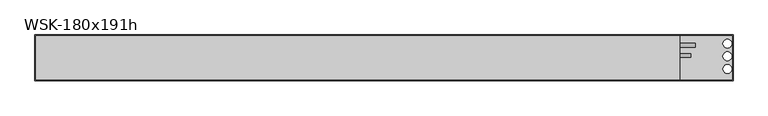
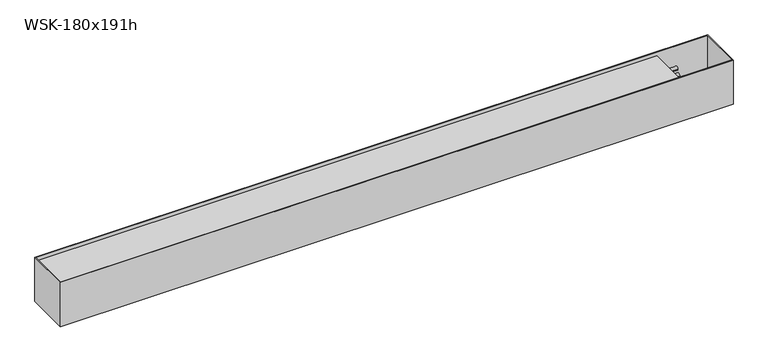
"""IFC4 building model written with IfcOpenShell, lengths in millimetres: proxy geometry, WSK-180x191h."""

from ifc_helpers import new_model, si_unit, point, frame, frame_2d, origin, place, context, project, spatial, polyline, circle_curve, trimmed, segment, composite_curve, outline, extrude, source, transform, mapped, element, save
from ifc_brep_helpers import plane_surface, revolved_surface, advanced_brep


def wsk_180x191h_a3d6e74b(model_context):
    return source(origin(), model_context, "Body", "SolidModel", [
        extrude(outline(composite_curve([segment(trimmed(circle_curve(frame_2d((8.75, -65.7)), 7.5), [point((1.25, -65.7))], [point((16.25, -65.7))], False, "CARTESIAN"), True, "CONTINUOUS"), segment(trimmed(circle_curve(frame_2d((8.75, -65.7)), 7.5), [point((16.25, -65.7))], [point((1.25, -65.7))], False, "CARTESIAN"), True, "CONTINUOUS")], self_intersect=False)), frame((-210.0, 0.0, 0.0), z_axis=(1.0, 0.0, 0.0), x_axis=(0.0, 1.0, 0.0)), (0.0, 0.0, 1.0), 44.0),
        extrude(outline(composite_curve([segment(trimmed(circle_curve(frame_2d((48.75, -65.7)), 7.5), [point((41.25, -65.7))], [point((56.25, -65.7))], False, "CARTESIAN"), True, "CONTINUOUS"), segment(trimmed(circle_curve(frame_2d((48.75, -65.7)), 7.5), [point((56.25, -65.7))], [point((41.25, -65.7))], False, "CARTESIAN"), True, "CONTINUOUS")], self_intersect=False)), frame((-210.0, 0.0, 0.0), z_axis=(1.0, 0.0, 0.0), x_axis=(0.0, 1.0, 0.0)), (0.0, 0.0, 1.0), 60.0),
        advanced_brep(
        [(-2750.0, 90.0, 0.0), (-2750.0, -90.0, 0.0), (0.0, -90.0, 0.0), (0.0, 90.0, 0.0), (-2747.0, 87.0, 0.0), (-3.0, 87.0, 0.0), (-3.0, -87.0, 0.0), (-2747.0, -87.0, 0.0), (-2750.0, 90.0, -191.0), (0.0, 90.0, -191.0), (0.0, -90.0, -191.0), (-2750.0, -90.0, -191.0), (-22.5, -61.7, -191.0), (-22.5, -26.7, -191.0), (-22.5, -11.7, -191.0), (-22.5, 23.3, -191.0), (-22.5, 38.3, -191.0), (-22.5, 73.3, -191.0), (-210.0, 87.0, -189.0), (-210.0, -87.0, -189.0), (-3.0, -87.0, -189.0), (-3.0, 87.0, -189.0), (-22.5, -26.7, -189.0), (-22.5, -61.7, -189.0), (-22.5, 23.3, -189.0), (-22.5, -11.7, -189.0), (-22.5, 73.3, -189.0), (-22.5, 38.3, -189.0), (-2747.0, 87.0, -15.0), (-210.0, 87.0, -15.0), (-210.0, -87.0, -15.0), (-2747.0, -87.0, -15.0)],
        [
            (0, 1),
            (1, 2),
            (2, 3),
            (3, 0),
            (4, 5),
            (5, 6),
            (6, 7),
            (7, 4),
            (8, 9),
            (9, 10),
            (10, 11),
            (11, 8),
            (12, 13, circle_curve(frame((-22.5, -44.2, -191.0), z_axis=(0.0, 0.0, 1.0), x_axis=(0.0, 1.0, 0.0)), 17.5)),
            (13, 12, circle_curve(frame((-22.5, -44.2, -191.0), z_axis=(0.0, 0.0, 1.0), x_axis=(0.0, 1.0, 0.0)), 17.5)),
            (14, 15, circle_curve(frame((-22.5, 5.8, -191.0), z_axis=(0.0, 0.0, 1.0), x_axis=(0.0, 1.0, 0.0)), 17.5)),
            (15, 14, circle_curve(frame((-22.5, 5.8, -191.0), z_axis=(0.0, 0.0, 1.0), x_axis=(0.0, 1.0, 0.0)), 17.5)),
            (16, 17, circle_curve(frame((-22.5, 55.8, -191.0), z_axis=(0.0, 0.0, 1.0), x_axis=(0.0, 1.0, 0.0)), 17.5)),
            (17, 16, circle_curve(frame((-22.5, 55.8, -191.0), z_axis=(0.0, 0.0, 1.0), x_axis=(0.0, 1.0, 0.0)), 17.5)),
            (3, 9),
            (8, 0),
            (2, 10),
            (1, 11),
            (18, 19),
            (19, 20),
            (20, 21),
            (21, 18),
            (22, 23, circle_curve(frame((-22.5, -44.2, -189.0), z_axis=(0.0, 0.0, -1.0), x_axis=(0.0, 1.0, 0.0)), 17.5)),
            (23, 22, circle_curve(frame((-22.5, -44.2, -189.0), z_axis=(0.0, 0.0, -1.0), x_axis=(0.0, 1.0, 0.0)), 17.5)),
            (24, 25, circle_curve(frame((-22.5, 5.8, -189.0), z_axis=(0.0, 0.0, -1.0), x_axis=(0.0, 1.0, 0.0)), 17.5)),
            (25, 24, circle_curve(frame((-22.5, 5.8, -189.0), z_axis=(0.0, 0.0, -1.0), x_axis=(0.0, 1.0, 0.0)), 17.5)),
            (26, 27, circle_curve(frame((-22.5, 55.8, -189.0), z_axis=(0.0, 0.0, -1.0), x_axis=(0.0, 1.0, 0.0)), 17.5)),
            (27, 26, circle_curve(frame((-22.5, 55.8, -189.0), z_axis=(0.0, 0.0, -1.0), x_axis=(0.0, 1.0, 0.0)), 17.5)),
            (21, 5),
            (4, 28),
            (28, 29),
            (29, 18),
            (20, 6),
            (19, 30),
            (30, 31),
            (31, 7),
            (29, 30),
            (28, 31),
            (12, 23),
            (22, 13),
            (14, 25),
            (24, 15),
            (16, 27),
            (26, 17),
        ],
        [
            plane_surface(frame((-2750.0, 90.0, 0.0), z_axis=(0.0, 0.0, 1.0), x_axis=(0.0, -1.0, 0.0))),
            plane_surface(frame((-2750.0, 90.0, -191.0), z_axis=(0.0, 0.0, -1.0), x_axis=(0.0, 1.0, 0.0))),
            plane_surface(frame((0.0, 90.0, 0.0), z_axis=(0.0, 1.0, 0.0), x_axis=(0.0, 0.0, -1.0))),
            plane_surface(frame((0.0, -90.0, 0.0), z_axis=(1.0, 0.0, 0.0), x_axis=(0.0, 0.0, -1.0))),
            plane_surface(frame((-2750.0, -90.0, 0.0), z_axis=(0.0, -1.0, 0.0), x_axis=(0.0, 0.0, -1.0))),
            plane_surface(frame((-2750.0, 90.0, 0.0), z_axis=(-1.0, 0.0, 0.0), x_axis=(0.0, 0.0, -1.0))),
            plane_surface(frame((-210.0, 87.0, -189.0), z_axis=(0.0, 0.0, 1.0), x_axis=(0.0, 1.0, 0.0))),
            plane_surface(frame((-3.0, 87.0, -2.0), z_axis=(0.0, -1.0, 0.0), x_axis=(0.0, 0.0, -1.0))),
            plane_surface(frame((-3.0, -87.0, -2.0), z_axis=(-1.0, 0.0, 0.0), x_axis=(0.0, 0.0, -1.0))),
            plane_surface(frame((-210.0, -87.0, -2.0), z_axis=(0.0, 1.0, 0.0), x_axis=(0.0, 0.0, -1.0))),
            plane_surface(frame((-210.0, 87.0, -2.0), z_axis=(1.0, 0.0, 0.0), x_axis=(0.0, 0.0, -1.0))),
            plane_surface(frame((-2747.0, 87.0, -15.0), z_axis=(0.0, 0.0, 1.0), x_axis=(0.0, 1.0, 0.0))),
            plane_surface(frame((-2747.0, 87.0, 0.0), z_axis=(1.0, 0.0, 0.0), x_axis=(0.0, 0.0, -1.0))),
            revolved_surface(polyline([(-22.5, -26.700000000000003, -189.0), (-22.5, -26.700000000000003, -191.0)]), (-22.5, -44.2, -201.0), (0.0, 0.0, 1.0)),
            revolved_surface(polyline([(-22.5, 23.3, -189.0), (-22.5, 23.3, -191.0)]), (-22.5, 5.8, -201.0), (0.0, 0.0, 1.0)),
            revolved_surface(polyline([(-22.5, 73.3, -189.0), (-22.5, 73.3, -191.0)]), (-22.5, 55.8, -201.0), (0.0, 0.0, 1.0)),
        ],
        [
            (0, [[1, 2, 3, 4], [5, 6, 7, 8]]),
            (1, [[9, 10, 11, 12], [13, 14], [15, 16], [17, 18]]),
            (2, [[-4, 19, -9, 20]]),
            (3, [[-3, 21, -10, -19]]),
            (4, [[-2, 22, -11, -21]]),
            (5, [[-1, -20, -12, -22]]),
            (6, [[23, 24, 25, 26], [27, 28], [29, 30], [31, 32]]),
            (7, [[-26, 33, -5, 34, 35, 36]]),
            (8, [[-25, 37, -6, -33]]),
            (9, [[-24, 38, 39, 40, -7, -37]]),
            (10, [[-23, -36, 41, -38]]),
            (11, [[42, -39, -41, -35]]),
            (12, [[-42, -34, -8, -40]]),
            (13, [[43, -27, 44, -13]]),
            (13, [[-43, -14, -44, -28]]),
            (14, [[45, -29, 46, -15]]),
            (14, [[-45, -16, -46, -30]]),
            (15, [[47, -31, 48, -17]]),
            (15, [[-47, -18, -48, -32]]),
        ],
    ),
    ])


if __name__ == "__main__":
    model = new_model("IFC4")
    model_context = context("Model", 3, world=origin())
    ifc_project = project(units=[si_unit("LENGTHUNIT", "METRE", prefix="MILLI")], contexts=[model_context])
    site = spatial("IfcSite", under=ifc_project)
    building = spatial("IfcBuilding", under=site)
    placement = place(None, origin())
    wsk_180x191h_shape = wsk_180x191h_a3d6e74b(model_context)
    element("IfcBuildingElementProxy", 1, Name="WSK-180x191h", ObjectType="WSK-180x191h", at=placement, inside=building, context=model_context, shape_type="MappedRepresentation", body=[
        mapped(wsk_180x191h_shape, transform((0.0, 0.0, 0.0), x_axis=(1.0, 0.0, 0.0), y_axis=(0.0, 1.0, 0.0), z_axis=(0.0, 0.0, 1.0))),
    ])
    save(model, "model.ifc")
